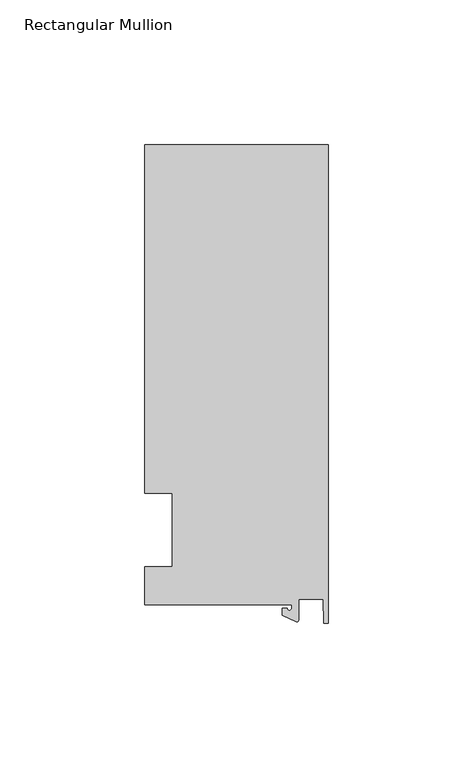
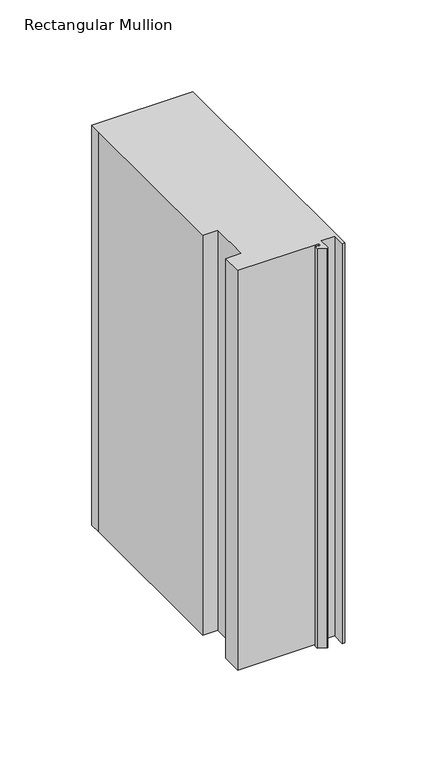
"""IFC4 building model written with IfcOpenShell, lengths in millimetres: member geometry, Rectangular Mullion."""

from ifc_helpers import new_model, si_unit, point, frame, frame_2d, origin, place, context, project, spatial, polyline, circle_curve, trimmed, segment, composite_curve, outline, extrude, source, transform, mapped, element, save


def rectangular_mullion_5e6951ed(model_context):
    return source(origin(), model_context, "Body", "SweptSolid", [
        extrude(outline(composite_curve([segment(polyline([(-12.6173814, -25.796875), (-63.5, -25.796875), (-63.5, -12.7), (-53.975, -12.7), (-53.975, 12.7), (-63.5, 12.7), (-63.5, 125.8114907), (-63.5, 133.34365), (0.0, 133.34365), (0.0, -32.288874), (-1.5658966, -32.288874), (-1.7144124, -23.9227662), (-10.2297814, -23.9227662), (-10.2297814, -31.2414327)]), True, "CONTINUOUS"), segment(trimmed(circle_curve(frame_2d((-10.7377814, -31.2414327)), 0.508), [point((-10.2297814, -31.2414327))], [point((-10.9524715, -31.7018371))], False, "CARTESIAN"), True, "CONTINUOUS"), segment(polyline([(-10.9524715, -31.7018371), (-15.7923814, -29.44495), (-15.7923814, -27.0827507), (-14.2048814, -27.0827507)]), True, "CONTINUOUS"), segment(trimmed(circle_curve(frame_2d((-13.4111314, -27.0827507)), 0.79375), [point((-14.2048814, -27.0827507))], [point((-12.6173814, -27.0827507))], True, "CARTESIAN"), True, "CONTINUOUS"), segment(polyline([(-12.6173814, -27.0827507), (-12.6173814, -25.796875)]), True, "CONTINUOUS")], self_intersect=False)), frame((0.0, 0.0, -265.75385), z_axis=(0.0, 0.0, 1.0), x_axis=(1.0, 0.0, 0.0)), (0.0, 0.0, 1.0), 265.75385),
    ])


if __name__ == "__main__":
    model = new_model("IFC4")
    model_context = context("Model", 3, world=origin())
    ifc_project = project(units=[si_unit("LENGTHUNIT", "METRE", prefix="MILLI")], contexts=[model_context])
    site = spatial("IfcSite", under=ifc_project)
    building = spatial("IfcBuilding", under=site)
    placement = place(None, origin())
    rectangular_mullion_shape = rectangular_mullion_5e6951ed(model_context)
    element("IfcMember", 1, ObjectType="Rectangular Mullion", at=placement, inside=building, context=model_context, shape_type="MappedRepresentation", body=[
        mapped(rectangular_mullion_shape, transform((0.0, 0.0, 0.0), x_axis=(1.0, 0.0, 0.0), y_axis=(0.0, 1.0, 0.0), z_axis=(0.0, 0.0, 1.0))),
    ])
    save(model, "model.ifc")
